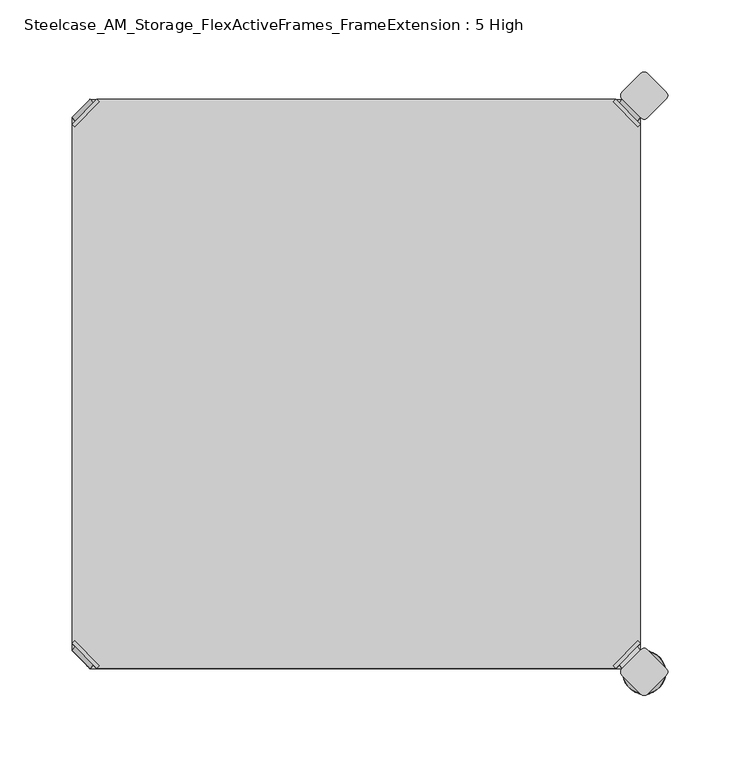
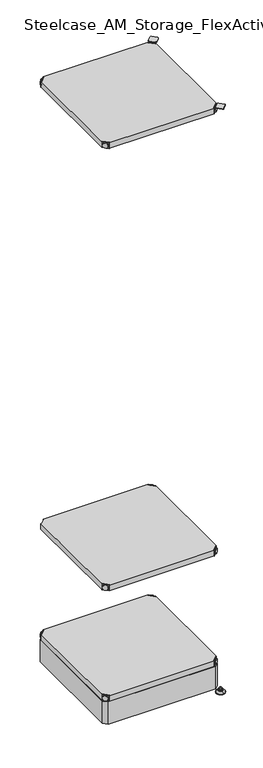
"""IFC4 building model written with IfcOpenShell, lengths in millimetres: furniture geometry, Steelcase_AM_Storage_FlexActiveFrames_FrameExtension : 5 High."""

from ifc_helpers import new_model, si_unit, point, frame, frame_2d, origin, place, context, project, spatial, polyline, circle_curve, ellipse_curve, trimmed, segment, composite_curve, outline, extrude, source, transform, mapped, element, save
from ifc_brep_helpers import plane_surface, cylinder_surface, revolved_surface, advanced_brep


def steelcase_am_storage_flexactiveframes_frameextension_5_high_13562759(model_context):
    return source(origin(), model_context, "Body", "SolidModel", [
        advanced_brep(
        [(397.51, 380.2870969, 520.2936), (380.2870969, 397.51, 520.2936), (378.4910456, 395.7139488, 520.2936), (395.7139488, 378.4910456, 520.2936), (397.51, 380.2870969, 498.9576), (380.2870969, 397.51, 498.9576), (395.1847277, 382.6123691, 510.1336), (382.6123691, 395.1847277, 510.1336), (369.7579478, 352.5350447, 499.9736), (395.7139488, 378.4910456, 499.9736), (378.4910456, 395.7139488, 499.9736), (352.5350447, 369.7579478, 499.9736), (369.7579478, 352.5350447, 498.9576), (352.5350447, 369.7579478, 498.9576), (384.9272487, 397.4996073, 510.1336), (397.4996073, 384.9272487, 510.1336)],
        [
            (0, 1),
            (1, 2),
            (2, 3),
            (3, 0),
            (0, 4),
            (4, 5),
            (5, 1),
            (6, 7, circle_curve(frame((388.8985484, 388.8985484, 510.1336), z_axis=(-0.7071067811865446, -0.7071067811865505, 0.0), x_axis=(0.7071067811865505, -0.7071067811865446, 0.0)), 8.89)),
            (7, 6, circle_curve(frame((388.8985484, 388.8985484, 510.1336), z_axis=(-0.7071067811865446, -0.7071067811865505, 0.0), x_axis=(0.7071067811865505, -0.7071067811865446, 0.0)), 8.89)),
            (8, 9),
            (9, 10),
            (10, 11),
            (11, 8, circle_curve(frame((361.1464963, 361.1464963, 499.9736), z_axis=(0.0, 0.0, 1.0), x_axis=(-1.0, 0.0, 0.0)), 12.1784316)),
            (12, 13, circle_curve(frame((361.1464963, 361.1464963, 498.9576), z_axis=(0.0, 0.0, -1.0), x_axis=(-1.0, 0.0, 0.0)), 12.1784316)),
            (13, 5),
            (4, 12),
            (14, 15, circle_curve(frame((391.213428, 391.213428, 510.1336), z_axis=(0.7071067811865446, 0.7071067811865505, 0.0), x_axis=(0.7071067811865505, -0.7071067811865446, 0.0)), 8.89)),
            (15, 14, circle_curve(frame((391.213428, 391.213428, 510.1336), z_axis=(0.7071067811865446, 0.7071067811865505, 0.0), x_axis=(0.7071067811865505, -0.7071067811865446, 0.0)), 8.89)),
            (15, 6),
            (7, 14),
            (2, 10),
            (9, 3),
            (11, 13),
            (12, 8),
        ],
        [
            plane_surface(frame((419.7079872, 402.485084, 520.2936), z_axis=(0.0, 0.0, 1.0000000000000002), x_axis=(-0.7071067811865436, -0.7071067811865516, 0.0))),
            plane_surface(frame((380.2870969, 397.51, 520.2936), z_axis=(0.7071067811865447, 0.7071067811865503, 0.0), x_axis=(0.0, 0.0, -1.0))),
            plane_surface(frame((348.9680647, 361.1464963, 499.9736), z_axis=(0.0, 0.0, 1.0), x_axis=(0.0, 1.0, 0.0))),
            plane_surface(frame((348.9680647, 361.1464963, 498.9576), z_axis=(0.0, 0.0, -1.0), x_axis=(0.0, -1.0, 0.0))),
            plane_surface(frame((397.4996073, 384.9272487, 510.1336), z_axis=(0.7071067811865446, 0.7071067811865505, 0.0), x_axis=(0.0, 0.0, 1.0))),
            cylinder_surface(frame((388.8985484, 388.8985484, 510.1336), z_axis=(0.7071067811865446, 0.7071067811865505, 0.0), x_axis=(0.7071067811865505, -0.7071067811865446, 0.0)), 8.89),
            plane_surface(frame((395.7139488, 378.4910456, 520.2936), z_axis=(-0.7071067811865447, -0.7071067811865503, 0.0), x_axis=(0.0, 0.0, -1.0))),
            cylinder_surface(frame((361.1464963, 361.1464963, 498.9576), z_axis=(0.0, 0.0, 1.0), x_axis=(-1.0, 0.0, 0.0)), 12.1784316),
            plane_surface(frame((397.51, 380.2870969, 520.2936), z_axis=(0.7071067811865516, -0.7071067811865436, 0.0), x_axis=(0.0, 0.0, -1.0))),
            plane_surface(frame((378.4910456, 395.7139488, 520.2936), z_axis=(-0.7071067811865513, 0.7071067811865437, 0.0), x_axis=(0.0, 0.0, -1.0))),
        ],
        [
            (0, [[1, 2, 3, 4]]),
            (1, [[5, 6, 7, -1], [8, 9]]),
            (2, [[10, 11, 12, 13]]),
            (3, [[14, 15, -6, 16]]),
            (4, [[17, 18]]),
            (5, [[19, -9, 20, -18]]),
            (5, [[-20, -8, -19, -17]]),
            (6, [[21, -11, 22, -3]]),
            (7, [[23, -14, 24, -13]]),
            (8, [[-22, -10, -24, -16, -5, -4]]),
            (9, [[-7, -15, -23, -12, -21, -2]]),
        ],
    ),
        advanced_brep(
        [(397.51, 19.7629031, 520.2936), (395.7139488, 21.5589544, 520.2936), (378.4910456, 4.3360512, 520.2936), (380.2870969, 2.54, 520.2936), (380.2870969, 2.54, 498.9576), (397.51, 19.7629031, 498.9576), (395.1847277, 17.4376309, 510.1336), (382.6123691, 4.8652723, 510.1336), (369.7579478, 47.5149553, 499.9736), (352.5350447, 30.2920522, 499.9736), (378.4910456, 4.3360512, 499.9736), (395.7139488, 21.5589544, 499.9736), (369.7579478, 47.5149553, 498.9576), (352.5350447, 30.2920522, 498.9576), (384.9272487, 2.5503927, 510.1336), (397.4996073, 15.1227513, 510.1336)],
        [
            (0, 1),
            (1, 2),
            (2, 3),
            (3, 0),
            (3, 4),
            (4, 5),
            (5, 0),
            (6, 7, circle_curve(frame((388.8985484, 11.1514516, 510.1336), z_axis=(-0.7071067811865469, 0.7071067811865481, 0.0), x_axis=(0.7071067811865481, 0.7071067811865469, 0.0)), 8.89)),
            (7, 6, circle_curve(frame((388.8985484, 11.1514516, 510.1336), z_axis=(-0.7071067811865469, 0.7071067811865481, 0.0), x_axis=(0.7071067811865481, 0.7071067811865469, 0.0)), 8.89)),
            (8, 9, circle_curve(frame((361.1464963, 38.9035037, 499.9736), z_axis=(0.0, 0.0, 1.0), x_axis=(-1.0, 0.0, 0.0)), 12.1784316)),
            (9, 10),
            (10, 11),
            (11, 8),
            (12, 5),
            (4, 13),
            (13, 12, circle_curve(frame((361.1464963, 38.9035037, 498.9576), z_axis=(0.0, 0.0, -1.0), x_axis=(-1.0, 0.0, 0.0)), 12.1784316)),
            (14, 15, circle_curve(frame((391.213428, 8.836572, 510.1336), z_axis=(0.7071067811865469, -0.7071067811865481, 0.0), x_axis=(0.7071067811865481, 0.7071067811865469, 0.0)), 8.89)),
            (15, 14, circle_curve(frame((391.213428, 8.836572, 510.1336), z_axis=(0.7071067811865469, -0.7071067811865481, 0.0), x_axis=(0.7071067811865481, 0.7071067811865469, 0.0)), 8.89)),
            (14, 7),
            (6, 15),
            (1, 11),
            (10, 2),
            (8, 12),
            (13, 9),
        ],
        [
            plane_surface(frame((419.7079872, -2.435084, 520.2936), z_axis=(0.0, 0.0, 1.0000000000000002), x_axis=(-0.7071067811865459, 0.7071067811865492, 0.0))),
            plane_surface(frame((380.2870969, 2.54, 520.2936), z_axis=(0.707106781186547, -0.707106781186548, 0.0), x_axis=(0.0, 0.0, -1.0))),
            plane_surface(frame((348.9680647, 38.9035037, 499.9736), z_axis=(0.0, 0.0, 1.0), x_axis=(0.0, -1.0, 0.0))),
            plane_surface(frame((348.9680647, 38.9035037, 498.9576), z_axis=(0.0, 0.0, -1.0), x_axis=(0.0, 1.0, 0.0))),
            plane_surface(frame((397.4996073, 15.1227513, 510.1336), z_axis=(0.7071067811865469, -0.7071067811865481, 0.0), x_axis=(0.0, 0.0, 1.0))),
            cylinder_surface(frame((388.8985484, 11.1514516, 510.1336), z_axis=(0.7071067811865469, -0.7071067811865481, 0.0), x_axis=(0.7071067811865481, 0.7071067811865469, 0.0)), 8.89),
            plane_surface(frame((395.7139488, 21.5589544, 520.2936), z_axis=(-0.707106781186547, 0.707106781186548, 0.0), x_axis=(0.0, 0.0, -1.0))),
            cylinder_surface(frame((361.1464963, 38.9035037, 498.9576), z_axis=(0.0, 0.0, 1.0), x_axis=(-1.0, 0.0, 0.0)), 12.1784316),
            plane_surface(frame((397.51, 19.7629031, 520.2936), z_axis=(0.7071067811865492, 0.7071067811865459, 0.0), x_axis=(0.0, 0.0, -1.0))),
            plane_surface(frame((378.4910456, 4.3360512, 520.2936), z_axis=(-0.707106781186549, -0.707106781186546, 0.0), x_axis=(0.0, 0.0, -1.0))),
        ],
        [
            (0, [[1, 2, 3, 4]]),
            (1, [[-4, 5, 6, 7], [8, 9]]),
            (2, [[10, 11, 12, 13]]),
            (3, [[14, -6, 15, 16]]),
            (4, [[17, 18]]),
            (5, [[-17, 19, -8, 20]]),
            (5, [[-18, -20, -9, -19]]),
            (6, [[-2, 21, -12, 22]]),
            (7, [[-10, 23, -16, 24]]),
            (8, [[-1, -7, -14, -23, -13, -21]]),
            (9, [[-3, -22, -11, -24, -15, -5]]),
        ],
    ),
        advanced_brep(
        [(2.54, 19.7629031, 520.2936), (19.7629031, 2.54, 520.2936), (21.5589544, 4.3360512, 520.2936), (4.3360512, 21.5589544, 520.2936), (2.54, 19.7629031, 498.9576), (19.7629031, 2.54, 498.9576), (4.8652723, 17.4376309, 510.1336), (17.4376309, 4.8652723, 510.1336), (30.2920522, 47.5149553, 499.9736), (4.3360512, 21.5589544, 499.9736), (21.5589544, 4.3360512, 499.9736), (47.5149553, 30.2920522, 499.9736), (30.2920522, 47.5149553, 498.9576), (47.5149553, 30.2920522, 498.9576), (15.1227513, 2.5503927, 510.1336), (2.5503927, 15.1227513, 510.1336)],
        [
            (0, 1),
            (1, 2),
            (2, 3),
            (3, 0),
            (0, 4),
            (4, 5),
            (5, 1),
            (6, 7, circle_curve(frame((11.1514516, 11.1514516, 510.1336), z_axis=(0.7071067811865469, 0.7071067811865481, 0.0), x_axis=(-0.7071067811865481, 0.7071067811865469, 0.0)), 8.89)),
            (7, 6, circle_curve(frame((11.1514516, 11.1514516, 510.1336), z_axis=(0.7071067811865469, 0.7071067811865481, 0.0), x_axis=(-0.7071067811865481, 0.7071067811865469, 0.0)), 8.89)),
            (8, 9),
            (9, 10),
            (10, 11),
            (11, 8, circle_curve(frame((38.9035037, 38.9035037, 499.9736), z_axis=(0.0, 0.0, 1.0), x_axis=(1.0, 0.0, 0.0)), 12.1784316)),
            (12, 13, circle_curve(frame((38.9035037, 38.9035037, 498.9576), z_axis=(0.0, 0.0, -1.0), x_axis=(1.0, 0.0, 0.0)), 12.1784316)),
            (13, 5),
            (4, 12),
            (14, 15, circle_curve(frame((8.836572, 8.836572, 510.1336), z_axis=(-0.7071067811865469, -0.7071067811865481, 0.0), x_axis=(-0.7071067811865481, 0.7071067811865469, 0.0)), 8.89)),
            (15, 14, circle_curve(frame((8.836572, 8.836572, 510.1336), z_axis=(-0.7071067811865469, -0.7071067811865481, 0.0), x_axis=(-0.7071067811865481, 0.7071067811865469, 0.0)), 8.89)),
            (15, 6),
            (7, 14),
            (2, 10),
            (9, 3),
            (11, 13),
            (12, 8),
        ],
        [
            plane_surface(frame((-19.6579872, -2.435084, 520.2936), z_axis=(0.0, 0.0, 1.0000000000000002), x_axis=(0.7071067811865459, 0.7071067811865492, 0.0))),
            plane_surface(frame((19.7629031, 2.54, 520.2936), z_axis=(-0.707106781186547, -0.707106781186548, 0.0), x_axis=(0.0, 0.0, -1.0))),
            plane_surface(frame((51.0819353, 38.9035037, 499.9736), z_axis=(0.0, 0.0, 1.0), x_axis=(0.0, -1.0, 0.0))),
            plane_surface(frame((51.0819353, 38.9035037, 498.9576), z_axis=(0.0, 0.0, -1.0), x_axis=(0.0, 1.0, 0.0))),
            plane_surface(frame((2.5503927, 15.1227513, 510.1336), z_axis=(-0.7071067811865469, -0.7071067811865481, 0.0), x_axis=(0.0, 0.0, 1.0))),
            cylinder_surface(frame((11.1514516, 11.1514516, 510.1336), z_axis=(-0.7071067811865469, -0.7071067811865481, 0.0), x_axis=(-0.7071067811865481, 0.7071067811865469, 0.0)), 8.89),
            plane_surface(frame((4.3360512, 21.5589544, 520.2936), z_axis=(0.707106781186547, 0.707106781186548, 0.0), x_axis=(0.0, 0.0, -1.0))),
            cylinder_surface(frame((38.9035037, 38.9035037, 498.9576), z_axis=(0.0, 0.0, 1.0), x_axis=(1.0, 0.0, 0.0)), 12.1784316),
            plane_surface(frame((2.54, 19.7629031, 520.2936), z_axis=(-0.7071067811865492, 0.7071067811865459, 0.0), x_axis=(0.0, 0.0, -1.0))),
            plane_surface(frame((21.5589544, 4.3360512, 520.2936), z_axis=(0.707106781186549, -0.707106781186546, 0.0), x_axis=(0.0, 0.0, -1.0))),
        ],
        [
            (0, [[1, 2, 3, 4]]),
            (1, [[5, 6, 7, -1], [8, 9]]),
            (2, [[10, 11, 12, 13]]),
            (3, [[14, 15, -6, 16]]),
            (4, [[17, 18]]),
            (5, [[19, -9, 20, -18]]),
            (5, [[-20, -8, -19, -17]]),
            (6, [[21, -11, 22, -3]]),
            (7, [[23, -14, 24, -13]]),
            (8, [[-22, -10, -24, -16, -5, -4]]),
            (9, [[-7, -15, -23, -12, -21, -2]]),
        ],
    ),
        extrude(outline(polyline([(19.7629031, 2.54), (21.5589544, 4.3360512), (4.3360512, 21.5589544), (2.54, 19.7629031), (2.54, 380.2870969), (4.3360512, 378.4910456), (21.5589544, 395.7139488), (19.7629031, 397.51), (380.2870969, 397.51), (378.4910456, 395.7139488), (395.7139488, 378.4910456), (397.51, 380.2870969), (397.51, 19.7629031), (395.7139488, 21.5589544), (378.4910456, 4.3360512), (380.2870969, 2.54), (19.7629031, 2.54)])), frame((0.0, 0.0, 499.9736), z_axis=(0.0, 0.0, 1.0), x_axis=(1.0, 0.0, 0.0)), (0.0, 0.0, 1.0), 20.32),
        advanced_brep(
        [(2.54, 380.2870969, 2127.25), (4.3360512, 378.4910456, 2127.25), (21.5589544, 395.7139488, 2127.25), (19.7629031, 397.51, 2127.25), (19.7629031, 397.51, 2105.914), (2.54, 380.2870969, 2105.914), (4.8652723, 382.6123691, 2117.09), (17.4376309, 395.1847277, 2117.09), (30.2920522, 352.5350447, 2106.93), (47.5149553, 369.7579478, 2106.93), (21.5589544, 395.7139488, 2106.93), (4.3360512, 378.4910456, 2106.93), (30.2920522, 352.5350447, 2105.914), (47.5149553, 369.7579478, 2105.914), (15.1227513, 397.4996073, 2117.09), (2.5503927, 384.9272487, 2117.09)],
        [
            (0, 1),
            (1, 2),
            (2, 3),
            (3, 0),
            (3, 4),
            (4, 5),
            (5, 0),
            (6, 7, circle_curve(frame((11.1514516, 388.8985484, 2117.09), z_axis=(0.7071067811865446, -0.7071067811865505, 0.0), x_axis=(-0.7071067811865505, -0.7071067811865446, 0.0)), 8.89)),
            (7, 6, circle_curve(frame((11.1514516, 388.8985484, 2117.09), z_axis=(0.7071067811865446, -0.7071067811865505, 0.0), x_axis=(-0.7071067811865505, -0.7071067811865446, 0.0)), 8.89)),
            (8, 9, circle_curve(frame((38.9035037, 361.1464963, 2106.93), z_axis=(0.0, 0.0, 1.0), x_axis=(1.0, 0.0, 0.0)), 12.1784316)),
            (9, 10),
            (10, 11),
            (11, 8),
            (12, 5),
            (4, 13),
            (13, 12, circle_curve(frame((38.9035037, 361.1464963, 2105.914), z_axis=(0.0, 0.0, -1.0), x_axis=(1.0, 0.0, 0.0)), 12.1784316)),
            (14, 15, circle_curve(frame((8.836572, 391.213428, 2117.09), z_axis=(-0.7071067811865446, 0.7071067811865505, 0.0), x_axis=(-0.7071067811865505, -0.7071067811865446, 0.0)), 8.89)),
            (15, 14, circle_curve(frame((8.836572, 391.213428, 2117.09), z_axis=(-0.7071067811865446, 0.7071067811865505, 0.0), x_axis=(-0.7071067811865505, -0.7071067811865446, 0.0)), 8.89)),
            (14, 7),
            (6, 15),
            (1, 11),
            (10, 2),
            (8, 12),
            (13, 9),
        ],
        [
            plane_surface(frame((-19.6579872, 402.485084, 2127.25), z_axis=(0.0, 0.0, 1.0000000000000002), x_axis=(0.7071067811865436, -0.7071067811865516, 0.0))),
            plane_surface(frame((19.7629031, 397.51, 2127.25), z_axis=(-0.7071067811865447, 0.7071067811865503, 0.0), x_axis=(0.0, 0.0, -1.0))),
            plane_surface(frame((51.0819353, 361.1464963, 2106.93), z_axis=(0.0, 0.0, 1.0), x_axis=(0.0, 1.0, 0.0))),
            plane_surface(frame((51.0819353, 361.1464963, 2105.914), z_axis=(0.0, 0.0, -1.0), x_axis=(0.0, -1.0, 0.0))),
            plane_surface(frame((2.5503927, 384.9272487, 2117.09), z_axis=(-0.7071067811865446, 0.7071067811865505, 0.0), x_axis=(0.0, 0.0, 1.0))),
            cylinder_surface(frame((11.1514516, 388.8985484, 2117.09), z_axis=(-0.7071067811865446, 0.7071067811865505, 0.0), x_axis=(-0.7071067811865505, -0.7071067811865446, 0.0)), 8.89),
            plane_surface(frame((4.3360512, 378.4910456, 2127.25), z_axis=(0.7071067811865447, -0.7071067811865503, 0.0), x_axis=(0.0, 0.0, -1.0))),
            cylinder_surface(frame((38.9035037, 361.1464963, 2105.914), z_axis=(0.0, 0.0, 1.0), x_axis=(1.0, 0.0, 0.0)), 12.1784316),
            plane_surface(frame((2.54, 380.2870969, 2127.25), z_axis=(-0.7071067811865516, -0.7071067811865436, 0.0), x_axis=(0.0, 0.0, -1.0))),
            plane_surface(frame((21.5589544, 395.7139488, 2127.25), z_axis=(0.7071067811865513, 0.7071067811865437, 0.0), x_axis=(0.0, 0.0, -1.0))),
        ],
        [
            (0, [[1, 2, 3, 4]]),
            (1, [[-4, 5, 6, 7], [8, 9]]),
            (2, [[10, 11, 12, 13]]),
            (3, [[14, -6, 15, 16]]),
            (4, [[17, 18]]),
            (5, [[-17, 19, -8, 20]]),
            (5, [[-18, -20, -9, -19]]),
            (6, [[-2, 21, -12, 22]]),
            (7, [[-10, 23, -16, 24]]),
            (8, [[-1, -7, -14, -23, -13, -21]]),
            (9, [[-3, -22, -11, -24, -15, -5]]),
        ],
    ),
        advanced_brep(
        [(397.51, 380.2870969, 2127.25), (380.2870969, 397.51, 2127.25), (378.4910456, 395.7139488, 2127.25), (395.7139488, 378.4910456, 2127.25), (397.51, 380.2870969, 2105.914), (380.2870969, 397.51, 2105.914), (395.1847277, 382.6123691, 2117.09), (382.6123691, 395.1847277, 2117.09), (369.7579478, 352.5350447, 2106.93), (395.7139488, 378.4910456, 2106.93), (378.4910456, 395.7139488, 2106.93), (352.5350447, 369.7579478, 2106.93), (369.7579478, 352.5350447, 2105.914), (352.5350447, 369.7579478, 2105.914), (384.9272487, 397.4996073, 2117.09), (397.4996073, 384.9272487, 2117.09)],
        [
            (0, 1),
            (1, 2),
            (2, 3),
            (3, 0),
            (0, 4),
            (4, 5),
            (5, 1),
            (6, 7, circle_curve(frame((388.8985484, 388.8985484, 2117.09), z_axis=(-0.7071067811865446, -0.7071067811865505, 0.0), x_axis=(0.7071067811865505, -0.7071067811865446, 0.0)), 8.89)),
            (7, 6, circle_curve(frame((388.8985484, 388.8985484, 2117.09), z_axis=(-0.7071067811865446, -0.7071067811865505, 0.0), x_axis=(0.7071067811865505, -0.7071067811865446, 0.0)), 8.89)),
            (8, 9),
            (9, 10),
            (10, 11),
            (11, 8, circle_curve(frame((361.1464963, 361.1464963, 2106.93), z_axis=(0.0, 0.0, 1.0), x_axis=(-1.0, 0.0, 0.0)), 12.1784316)),
            (12, 13, circle_curve(frame((361.1464963, 361.1464963, 2105.914), z_axis=(0.0, 0.0, -1.0), x_axis=(-1.0, 0.0, 0.0)), 12.1784316)),
            (13, 5),
            (4, 12),
            (14, 15, circle_curve(frame((391.213428, 391.213428, 2117.09), z_axis=(0.7071067811865446, 0.7071067811865505, 0.0), x_axis=(0.7071067811865505, -0.7071067811865446, 0.0)), 8.89)),
            (15, 14, circle_curve(frame((391.213428, 391.213428, 2117.09), z_axis=(0.7071067811865446, 0.7071067811865505, 0.0), x_axis=(0.7071067811865505, -0.7071067811865446, 0.0)), 8.89)),
            (15, 6),
            (7, 14),
            (2, 10),
            (9, 3),
            (11, 13),
            (12, 8),
        ],
        [
            plane_surface(frame((419.7079872, 402.485084, 2127.25), z_axis=(0.0, 0.0, 1.0000000000000002), x_axis=(-0.7071067811865436, -0.7071067811865516, 0.0))),
            plane_surface(frame((380.2870969, 397.51, 2127.25), z_axis=(0.7071067811865447, 0.7071067811865503, 0.0), x_axis=(0.0, 0.0, -1.0))),
            plane_surface(frame((348.9680647, 361.1464963, 2106.93), z_axis=(0.0, 0.0, 1.0), x_axis=(0.0, 1.0, 0.0))),
            plane_surface(frame((348.9680647, 361.1464963, 2105.914), z_axis=(0.0, 0.0, -1.0), x_axis=(0.0, -1.0, 0.0))),
            plane_surface(frame((397.4996073, 384.9272487, 2117.09), z_axis=(0.7071067811865446, 0.7071067811865505, 0.0), x_axis=(0.0, 0.0, 1.0))),
            cylinder_surface(frame((388.8985484, 388.8985484, 2117.09), z_axis=(0.7071067811865446, 0.7071067811865505, 0.0), x_axis=(0.7071067811865505, -0.7071067811865446, 0.0)), 8.89),
            plane_surface(frame((395.7139488, 378.4910456, 2127.25), z_axis=(-0.7071067811865447, -0.7071067811865503, 0.0), x_axis=(0.0, 0.0, -1.0))),
            cylinder_surface(frame((361.1464963, 361.1464963, 2105.914), z_axis=(0.0, 0.0, 1.0), x_axis=(-1.0, 0.0, 0.0)), 12.1784316),
            plane_surface(frame((397.51, 380.2870969, 2127.25), z_axis=(0.7071067811865516, -0.7071067811865436, 0.0), x_axis=(0.0, 0.0, -1.0))),
            plane_surface(frame((378.4910456, 395.7139488, 2127.25), z_axis=(-0.7071067811865513, 0.7071067811865437, 0.0), x_axis=(0.0, 0.0, -1.0))),
        ],
        [
            (0, [[1, 2, 3, 4]]),
            (1, [[5, 6, 7, -1], [8, 9]]),
            (2, [[10, 11, 12, 13]]),
            (3, [[14, 15, -6, 16]]),
            (4, [[17, 18]]),
            (5, [[19, -9, 20, -18]]),
            (5, [[-20, -8, -19, -17]]),
            (6, [[21, -11, 22, -3]]),
            (7, [[23, -14, 24, -13]]),
            (8, [[-22, -10, -24, -16, -5, -4]]),
            (9, [[-7, -15, -23, -12, -21, -2]]),
        ],
    ),
        advanced_brep(
        [(397.51, 19.7629031, 2127.25), (395.7139488, 21.5589544, 2127.25), (378.4910456, 4.3360512, 2127.25), (380.2870969, 2.54, 2127.25), (380.2870969, 2.54, 2105.914), (397.51, 19.7629031, 2105.914), (395.1847277, 17.4376309, 2117.09), (382.6123691, 4.8652723, 2117.09), (369.7579478, 47.5149553, 2106.93), (352.5350447, 30.2920522, 2106.93), (378.4910456, 4.3360512, 2106.93), (395.7139488, 21.5589544, 2106.93), (369.7579478, 47.5149553, 2105.914), (352.5350447, 30.2920522, 2105.914), (384.9272487, 2.5503927, 2117.09), (397.4996073, 15.1227513, 2117.09)],
        [
            (0, 1),
            (1, 2),
            (2, 3),
            (3, 0),
            (3, 4),
            (4, 5),
            (5, 0),
            (6, 7, circle_curve(frame((388.8985484, 11.1514516, 2117.09), z_axis=(-0.7071067811865469, 0.7071067811865481, 0.0), x_axis=(0.7071067811865481, 0.7071067811865469, 0.0)), 8.89)),
            (7, 6, circle_curve(frame((388.8985484, 11.1514516, 2117.09), z_axis=(-0.7071067811865469, 0.7071067811865481, 0.0), x_axis=(0.7071067811865481, 0.7071067811865469, 0.0)), 8.89)),
            (8, 9, circle_curve(frame((361.1464963, 38.9035037, 2106.93), z_axis=(0.0, 0.0, 1.0), x_axis=(-1.0, 0.0, 0.0)), 12.1784316)),
            (9, 10),
            (10, 11),
            (11, 8),
            (12, 5),
            (4, 13),
            (13, 12, circle_curve(frame((361.1464963, 38.9035037, 2105.914), z_axis=(0.0, 0.0, -1.0), x_axis=(-1.0, 0.0, 0.0)), 12.1784316)),
            (14, 15, circle_curve(frame((391.213428, 8.836572, 2117.09), z_axis=(0.7071067811865469, -0.7071067811865481, 0.0), x_axis=(0.7071067811865481, 0.7071067811865469, 0.0)), 8.89)),
            (15, 14, circle_curve(frame((391.213428, 8.836572, 2117.09), z_axis=(0.7071067811865469, -0.7071067811865481, 0.0), x_axis=(0.7071067811865481, 0.7071067811865469, 0.0)), 8.89)),
            (14, 7),
            (6, 15),
            (1, 11),
            (10, 2),
            (8, 12),
            (13, 9),
        ],
        [
            plane_surface(frame((419.7079872, -2.435084, 2127.25), z_axis=(0.0, 0.0, 1.0000000000000002), x_axis=(-0.7071067811865459, 0.7071067811865492, 0.0))),
            plane_surface(frame((380.2870969, 2.54, 2127.25), z_axis=(0.707106781186547, -0.707106781186548, 0.0), x_axis=(0.0, 0.0, -1.0))),
            plane_surface(frame((348.9680647, 38.9035037, 2106.93), z_axis=(0.0, 0.0, 1.0), x_axis=(0.0, -1.0, 0.0))),
            plane_surface(frame((348.9680647, 38.9035037, 2105.914), z_axis=(0.0, 0.0, -1.0), x_axis=(0.0, 1.0, 0.0))),
            plane_surface(frame((397.4996073, 15.1227513, 2117.09), z_axis=(0.7071067811865469, -0.7071067811865481, 0.0), x_axis=(0.0, 0.0, 1.0))),
            cylinder_surface(frame((388.8985484, 11.1514516, 2117.09), z_axis=(0.7071067811865469, -0.7071067811865481, 0.0), x_axis=(0.7071067811865481, 0.7071067811865469, 0.0)), 8.89),
            plane_surface(frame((395.7139488, 21.5589544, 2127.25), z_axis=(-0.707106781186547, 0.707106781186548, 0.0), x_axis=(0.0, 0.0, -1.0))),
            cylinder_surface(frame((361.1464963, 38.9035037, 2105.914), z_axis=(0.0, 0.0, 1.0), x_axis=(-1.0, 0.0, 0.0)), 12.1784316),
            plane_surface(frame((397.51, 19.7629031, 2127.25), z_axis=(0.7071067811865492, 0.7071067811865459, 0.0), x_axis=(0.0, 0.0, -1.0))),
            plane_surface(frame((378.4910456, 4.3360512, 2127.25), z_axis=(-0.707106781186549, -0.707106781186546, 0.0), x_axis=(0.0, 0.0, -1.0))),
        ],
        [
            (0, [[1, 2, 3, 4]]),
            (1, [[-4, 5, 6, 7], [8, 9]]),
            (2, [[10, 11, 12, 13]]),
            (3, [[14, -6, 15, 16]]),
            (4, [[17, 18]]),
            (5, [[-17, 19, -8, 20]]),
            (5, [[-18, -20, -9, -19]]),
            (6, [[-2, 21, -12, 22]]),
            (7, [[-10, 23, -16, 24]]),
            (8, [[-1, -7, -14, -23, -13, -21]]),
            (9, [[-3, -22, -11, -24, -15, -5]]),
        ],
    ),
        advanced_brep(
        [(2.54, 19.7629031, 2127.25), (19.7629031, 2.54, 2127.25), (21.5589544, 4.3360512, 2127.25), (4.3360512, 21.5589544, 2127.25), (2.54, 19.7629031, 2105.914), (19.7629031, 2.54, 2105.914), (4.8652723, 17.4376309, 2117.09), (17.4376309, 4.8652723, 2117.09), (30.2920522, 47.5149553, 2106.93), (4.3360512, 21.5589544, 2106.93), (21.5589544, 4.3360512, 2106.93), (47.5149553, 30.2920522, 2106.93), (30.2920522, 47.5149553, 2105.914), (47.5149553, 30.2920522, 2105.914), (15.1227513, 2.5503927, 2117.09), (2.5503927, 15.1227513, 2117.09)],
        [
            (0, 1),
            (1, 2),
            (2, 3),
            (3, 0),
            (0, 4),
            (4, 5),
            (5, 1),
            (6, 7, circle_curve(frame((11.1514516, 11.1514516, 2117.09), z_axis=(0.7071067811865469, 0.7071067811865481, 0.0), x_axis=(-0.7071067811865481, 0.7071067811865469, 0.0)), 8.89)),
            (7, 6, circle_curve(frame((11.1514516, 11.1514516, 2117.09), z_axis=(0.7071067811865469, 0.7071067811865481, 0.0), x_axis=(-0.7071067811865481, 0.7071067811865469, 0.0)), 8.89)),
            (8, 9),
            (9, 10),
            (10, 11),
            (11, 8, circle_curve(frame((38.9035037, 38.9035037, 2106.93), z_axis=(0.0, 0.0, 1.0), x_axis=(1.0, 0.0, 0.0)), 12.1784316)),
            (12, 13, circle_curve(frame((38.9035037, 38.9035037, 2105.914), z_axis=(0.0, 0.0, -1.0), x_axis=(1.0, 0.0, 0.0)), 12.1784316)),
            (13, 5),
            (4, 12),
            (14, 15, circle_curve(frame((8.836572, 8.836572, 2117.09), z_axis=(-0.7071067811865469, -0.7071067811865481, 0.0), x_axis=(-0.7071067811865481, 0.7071067811865469, 0.0)), 8.89)),
            (15, 14, circle_curve(frame((8.836572, 8.836572, 2117.09), z_axis=(-0.7071067811865469, -0.7071067811865481, 0.0), x_axis=(-0.7071067811865481, 0.7071067811865469, 0.0)), 8.89)),
            (15, 6),
            (7, 14),
            (2, 10),
            (9, 3),
            (11, 13),
            (12, 8),
        ],
        [
            plane_surface(frame((-19.6579872, -2.435084, 2127.25), z_axis=(0.0, 0.0, 1.0000000000000002), x_axis=(0.7071067811865459, 0.7071067811865492, 0.0))),
            plane_surface(frame((19.7629031, 2.54, 2127.25), z_axis=(-0.707106781186547, -0.707106781186548, 0.0), x_axis=(0.0, 0.0, -1.0))),
            plane_surface(frame((51.0819353, 38.9035037, 2106.93), z_axis=(0.0, 0.0, 1.0), x_axis=(0.0, -1.0, 0.0))),
            plane_surface(frame((51.0819353, 38.9035037, 2105.914), z_axis=(0.0, 0.0, -1.0), x_axis=(0.0, 1.0, 0.0))),
            plane_surface(frame((2.5503927, 15.1227513, 2117.09), z_axis=(-0.7071067811865469, -0.7071067811865481, 0.0), x_axis=(0.0, 0.0, 1.0))),
            cylinder_surface(frame((11.1514516, 11.1514516, 2117.09), z_axis=(-0.7071067811865469, -0.7071067811865481, 0.0), x_axis=(-0.7071067811865481, 0.7071067811865469, 0.0)), 8.89),
            plane_surface(frame((4.3360512, 21.5589544, 2127.25), z_axis=(0.707106781186547, 0.707106781186548, 0.0), x_axis=(0.0, 0.0, -1.0))),
            cylinder_surface(frame((38.9035037, 38.9035037, 2105.914), z_axis=(0.0, 0.0, 1.0), x_axis=(1.0, 0.0, 0.0)), 12.1784316),
            plane_surface(frame((2.54, 19.7629031, 2127.25), z_axis=(-0.7071067811865492, 0.7071067811865459, 0.0), x_axis=(0.0, 0.0, -1.0))),
            plane_surface(frame((21.5589544, 4.3360512, 2127.25), z_axis=(0.707106781186549, -0.707106781186546, 0.0), x_axis=(0.0, 0.0, -1.0))),
        ],
        [
            (0, [[1, 2, 3, 4]]),
            (1, [[5, 6, 7, -1], [8, 9]]),
            (2, [[10, 11, 12, 13]]),
            (3, [[14, 15, -6, 16]]),
            (4, [[17, 18]]),
            (5, [[19, -9, 20, -18]]),
            (5, [[-20, -8, -19, -17]]),
            (6, [[21, -11, 22, -3]]),
            (7, [[23, -14, 24, -13]]),
            (8, [[-22, -10, -24, -16, -5, -4]]),
            (9, [[-7, -15, -23, -12, -21, -2]]),
        ],
    ),
        extrude(outline(polyline([(19.7629031, 2.54), (21.5589544, 4.3360512), (4.3360512, 21.5589544), (2.54, 19.7629031), (2.54, 380.2870969), (4.3360512, 378.4910456), (21.5589544, 395.7139488), (19.7629031, 397.51), (380.2870969, 397.51), (378.4910456, 395.7139488), (395.7139488, 378.4910456), (397.51, 380.2870969), (397.51, 19.7629031), (395.7139488, 21.5589544), (378.4910456, 4.3360512), (380.2870969, 2.54), (19.7629031, 2.54)])), frame((0.0, 0.0, 2106.93), z_axis=(0.0, 0.0, 1.0), x_axis=(1.0, 0.0, 0.0)), (0.0, 0.0, 1.0), 20.32),
        advanced_brep(
        [(2.54, 380.2870969, 118.9736), (4.3360512, 378.4910456, 118.9736), (21.5589544, 395.7139488, 118.9736), (19.7629031, 397.51, 118.9736), (19.7629031, 397.51, 97.6376), (2.54, 380.2870969, 97.6376), (4.8652723, 382.6123691, 108.8136), (17.4376309, 395.1847277, 108.8136), (30.2920522, 352.5350447, 98.6536), (47.5149553, 369.7579478, 98.6536), (21.5589544, 395.7139488, 98.6536), (4.3360512, 378.4910456, 98.6536), (30.2920522, 352.5350447, 97.6376), (47.5149553, 369.7579478, 97.6376), (15.1227513, 397.4996073, 108.8136), (2.5503927, 384.9272487, 108.8136)],
        [
            (0, 1),
            (1, 2),
            (2, 3),
            (3, 0),
            (3, 4),
            (4, 5),
            (5, 0),
            (6, 7, circle_curve(frame((11.1514516, 388.8985484, 108.8136), z_axis=(0.7071067811865446, -0.7071067811865505, 0.0), x_axis=(-0.7071067811865505, -0.7071067811865446, 0.0)), 8.89)),
            (7, 6, circle_curve(frame((11.1514516, 388.8985484, 108.8136), z_axis=(0.7071067811865446, -0.7071067811865505, 0.0), x_axis=(-0.7071067811865505, -0.7071067811865446, 0.0)), 8.89)),
            (8, 9, circle_curve(frame((38.9035037, 361.1464963, 98.6536), z_axis=(0.0, 0.0, 1.0), x_axis=(1.0, 0.0, 0.0)), 12.1784316)),
            (9, 10),
            (10, 11),
            (11, 8),
            (12, 5),
            (4, 13),
            (13, 12, circle_curve(frame((38.9035037, 361.1464963, 97.6376), z_axis=(0.0, 0.0, -1.0), x_axis=(1.0, 0.0, 0.0)), 12.1784316)),
            (14, 15, circle_curve(frame((8.836572, 391.213428, 108.8136), z_axis=(-0.7071067811865446, 0.7071067811865505, 0.0), x_axis=(-0.7071067811865505, -0.7071067811865446, 0.0)), 8.89)),
            (15, 14, circle_curve(frame((8.836572, 391.213428, 108.8136), z_axis=(-0.7071067811865446, 0.7071067811865505, 0.0), x_axis=(-0.7071067811865505, -0.7071067811865446, 0.0)), 8.89)),
            (14, 7),
            (6, 15),
            (1, 11),
            (10, 2),
            (8, 12),
            (13, 9),
        ],
        [
            plane_surface(frame((-19.6579872, 402.485084, 118.9736), z_axis=(0.0, 0.0, 1.0000000000000002), x_axis=(0.7071067811865436, -0.7071067811865516, 0.0))),
            plane_surface(frame((19.7629031, 397.51, 118.9736), z_axis=(-0.7071067811865447, 0.7071067811865503, 0.0), x_axis=(0.0, 0.0, -1.0))),
            plane_surface(frame((51.0819353, 361.1464963, 98.6536), z_axis=(0.0, 0.0, 1.0), x_axis=(0.0, 1.0, 0.0))),
            plane_surface(frame((51.0819353, 361.1464963, 97.6376), z_axis=(0.0, 0.0, -1.0), x_axis=(0.0, -1.0, 0.0))),
            plane_surface(frame((2.5503927, 384.9272487, 108.8136), z_axis=(-0.7071067811865446, 0.7071067811865505, 0.0), x_axis=(0.0, 0.0, 1.0))),
            cylinder_surface(frame((11.1514516, 388.8985484, 108.8136), z_axis=(-0.7071067811865446, 0.7071067811865505, 0.0), x_axis=(-0.7071067811865505, -0.7071067811865446, 0.0)), 8.89),
            plane_surface(frame((4.3360512, 378.4910456, 118.9736), z_axis=(0.7071067811865447, -0.7071067811865503, 0.0), x_axis=(0.0, 0.0, -1.0))),
            cylinder_surface(frame((38.9035037, 361.1464963, 97.6376), z_axis=(0.0, 0.0, 1.0), x_axis=(1.0, 0.0, 0.0)), 12.1784316),
            plane_surface(frame((2.54, 380.2870969, 118.9736), z_axis=(-0.7071067811865516, -0.7071067811865436, 0.0), x_axis=(0.0, 0.0, -1.0))),
            plane_surface(frame((21.5589544, 395.7139488, 118.9736), z_axis=(0.7071067811865513, 0.7071067811865437, 0.0), x_axis=(0.0, 0.0, -1.0))),
        ],
        [
            (0, [[1, 2, 3, 4]]),
            (1, [[-4, 5, 6, 7], [8, 9]]),
            (2, [[10, 11, 12, 13]]),
            (3, [[14, -6, 15, 16]]),
            (4, [[17, 18]]),
            (5, [[-17, 19, -8, 20]]),
            (5, [[-18, -20, -9, -19]]),
            (6, [[-2, 21, -12, 22]]),
            (7, [[-10, 23, -16, 24]]),
            (8, [[-1, -7, -14, -23, -13, -21]]),
            (9, [[-3, -22, -11, -24, -15, -5]]),
        ],
    ),
        advanced_brep(
        [(397.51, 380.2870969, 118.9736), (380.2870969, 397.51, 118.9736), (378.4910456, 395.7139488, 118.9736), (395.7139488, 378.4910456, 118.9736), (397.51, 380.2870969, 97.6376), (380.2870969, 397.51, 97.6376), (395.1847277, 382.6123691, 108.8136), (382.6123691, 395.1847277, 108.8136), (369.7579478, 352.5350447, 98.6536), (395.7139488, 378.4910456, 98.6536), (378.4910456, 395.7139488, 98.6536), (352.5350447, 369.7579478, 98.6536), (369.7579478, 352.5350447, 97.6376), (352.5350447, 369.7579478, 97.6376), (384.9272487, 397.4996073, 108.8136), (397.4996073, 384.9272487, 108.8136)],
        [
            (0, 1),
            (1, 2),
            (2, 3),
            (3, 0),
            (0, 4),
            (4, 5),
            (5, 1),
            (6, 7, circle_curve(frame((388.8985484, 388.8985484, 108.8136), z_axis=(-0.7071067811865446, -0.7071067811865505, 0.0), x_axis=(0.7071067811865505, -0.7071067811865446, 0.0)), 8.89)),
            (7, 6, circle_curve(frame((388.8985484, 388.8985484, 108.8136), z_axis=(-0.7071067811865446, -0.7071067811865505, 0.0), x_axis=(0.7071067811865505, -0.7071067811865446, 0.0)), 8.89)),
            (8, 9),
            (9, 10),
            (10, 11),
            (11, 8, circle_curve(frame((361.1464963, 361.1464963, 98.6536), z_axis=(0.0, 0.0, 1.0), x_axis=(-1.0, 0.0, 0.0)), 12.1784316)),
            (12, 13, circle_curve(frame((361.1464963, 361.1464963, 97.6376), z_axis=(0.0, 0.0, -1.0), x_axis=(-1.0, 0.0, 0.0)), 12.1784316)),
            (13, 5),
            (4, 12),
            (14, 15, circle_curve(frame((391.213428, 391.213428, 108.8136), z_axis=(0.7071067811865446, 0.7071067811865505, 0.0), x_axis=(0.7071067811865505, -0.7071067811865446, 0.0)), 8.89)),
            (15, 14, circle_curve(frame((391.213428, 391.213428, 108.8136), z_axis=(0.7071067811865446, 0.7071067811865505, 0.0), x_axis=(0.7071067811865505, -0.7071067811865446, 0.0)), 8.89)),
            (15, 6),
            (7, 14),
            (2, 10),
            (9, 3),
            (11, 13),
            (12, 8),
        ],
        [
            plane_surface(frame((419.7079872, 402.485084, 118.9736), z_axis=(0.0, 0.0, 1.0000000000000002), x_axis=(-0.7071067811865436, -0.7071067811865516, 0.0))),
            plane_surface(frame((380.2870969, 397.51, 118.9736), z_axis=(0.7071067811865447, 0.7071067811865503, 0.0), x_axis=(0.0, 0.0, -1.0))),
            plane_surface(frame((348.9680647, 361.1464963, 98.6536), z_axis=(0.0, 0.0, 1.0), x_axis=(0.0, 1.0, 0.0))),
            plane_surface(frame((348.9680647, 361.1464963, 97.6376), z_axis=(0.0, 0.0, -1.0), x_axis=(0.0, -1.0, 0.0))),
            plane_surface(frame((397.4996073, 384.9272487, 108.8136), z_axis=(0.7071067811865446, 0.7071067811865505, 0.0), x_axis=(0.0, 0.0, 1.0))),
            cylinder_surface(frame((388.8985484, 388.8985484, 108.8136), z_axis=(0.7071067811865446, 0.7071067811865505, 0.0), x_axis=(0.7071067811865505, -0.7071067811865446, 0.0)), 8.89),
            plane_surface(frame((395.7139488, 378.4910456, 118.9736), z_axis=(-0.7071067811865447, -0.7071067811865503, 0.0), x_axis=(0.0, 0.0, -1.0))),
            cylinder_surface(frame((361.1464963, 361.1464963, 97.6376), z_axis=(0.0, 0.0, 1.0), x_axis=(-1.0, 0.0, 0.0)), 12.1784316),
            plane_surface(frame((397.51, 380.2870969, 118.9736), z_axis=(0.7071067811865516, -0.7071067811865436, 0.0), x_axis=(0.0, 0.0, -1.0))),
            plane_surface(frame((378.4910456, 395.7139488, 118.9736), z_axis=(-0.7071067811865513, 0.7071067811865437, 0.0), x_axis=(0.0, 0.0, -1.0))),
        ],
        [
            (0, [[1, 2, 3, 4]]),
            (1, [[5, 6, 7, -1], [8, 9]]),
            (2, [[10, 11, 12, 13]]),
            (3, [[14, 15, -6, 16]]),
            (4, [[17, 18]]),
            (5, [[19, -9, 20, -18]]),
            (5, [[-20, -8, -19, -17]]),
            (6, [[21, -11, 22, -3]]),
            (7, [[23, -14, 24, -13]]),
            (8, [[-22, -10, -24, -16, -5, -4]]),
            (9, [[-7, -15, -23, -12, -21, -2]]),
        ],
    ),
        advanced_brep(
        [(397.51, 19.7629031, 118.9736), (395.7139488, 21.5589544, 118.9736), (378.4910456, 4.3360512, 118.9736), (380.2870969, 2.54, 118.9736), (380.2870969, 2.54, 97.6376), (397.51, 19.7629031, 97.6376), (395.1847277, 17.4376309, 108.8136), (382.6123691, 4.8652723, 108.8136), (369.7579478, 47.5149553, 98.6536), (352.5350447, 30.2920522, 98.6536), (378.4910456, 4.3360512, 98.6536), (395.7139488, 21.5589544, 98.6536), (369.7579478, 47.5149553, 97.6376), (352.5350447, 30.2920522, 97.6376), (384.9272487, 2.5503927, 108.8136), (397.4996073, 15.1227513, 108.8136)],
        [
            (0, 1),
            (1, 2),
            (2, 3),
            (3, 0),
            (3, 4),
            (4, 5),
            (5, 0),
            (6, 7, circle_curve(frame((388.8985484, 11.1514516, 108.8136), z_axis=(-0.7071067811865469, 0.7071067811865481, 0.0), x_axis=(0.7071067811865481, 0.7071067811865469, 0.0)), 8.89)),
            (7, 6, circle_curve(frame((388.8985484, 11.1514516, 108.8136), z_axis=(-0.7071067811865469, 0.7071067811865481, 0.0), x_axis=(0.7071067811865481, 0.7071067811865469, 0.0)), 8.89)),
            (8, 9, circle_curve(frame((361.1464963, 38.9035037, 98.6536), z_axis=(0.0, 0.0, 1.0), x_axis=(-1.0, 0.0, 0.0)), 12.1784316)),
            (9, 10),
            (10, 11),
            (11, 8),
            (12, 5),
            (4, 13),
            (13, 12, circle_curve(frame((361.1464963, 38.9035037, 97.6376), z_axis=(0.0, 0.0, -1.0), x_axis=(-1.0, 0.0, 0.0)), 12.1784316)),
            (14, 15, circle_curve(frame((391.213428, 8.836572, 108.8136), z_axis=(0.7071067811865469, -0.7071067811865481, 0.0), x_axis=(0.7071067811865481, 0.7071067811865469, 0.0)), 8.89)),
            (15, 14, circle_curve(frame((391.213428, 8.836572, 108.8136), z_axis=(0.7071067811865469, -0.7071067811865481, 0.0), x_axis=(0.7071067811865481, 0.7071067811865469, 0.0)), 8.89)),
            (14, 7),
            (6, 15),
            (1, 11),
            (10, 2),
            (8, 12),
            (13, 9),
        ],
        [
            plane_surface(frame((419.7079872, -2.435084, 118.9736), z_axis=(0.0, 0.0, 1.0000000000000002), x_axis=(-0.7071067811865459, 0.7071067811865492, 0.0))),
            plane_surface(frame((380.2870969, 2.54, 118.9736), z_axis=(0.707106781186547, -0.707106781186548, 0.0), x_axis=(0.0, 0.0, -1.0))),
            plane_surface(frame((348.9680647, 38.9035037, 98.6536), z_axis=(0.0, 0.0, 1.0), x_axis=(0.0, -1.0, 0.0))),
            plane_surface(frame((348.9680647, 38.9035037, 97.6376), z_axis=(0.0, 0.0, -1.0), x_axis=(0.0, 1.0, 0.0))),
            plane_surface(frame((397.4996073, 15.1227513, 108.8136), z_axis=(0.7071067811865469, -0.7071067811865481, 0.0), x_axis=(0.0, 0.0, 1.0))),
            cylinder_surface(frame((388.8985484, 11.1514516, 108.8136), z_axis=(0.7071067811865469, -0.7071067811865481, 0.0), x_axis=(0.7071067811865481, 0.7071067811865469, 0.0)), 8.89),
            plane_surface(frame((395.7139488, 21.5589544, 118.9736), z_axis=(-0.707106781186547, 0.707106781186548, 0.0), x_axis=(0.0, 0.0, -1.0))),
            cylinder_surface(frame((361.1464963, 38.9035037, 97.6376), z_axis=(0.0, 0.0, 1.0), x_axis=(-1.0, 0.0, 0.0)), 12.1784316),
            plane_surface(frame((397.51, 19.7629031, 118.9736), z_axis=(0.7071067811865492, 0.7071067811865459, 0.0), x_axis=(0.0, 0.0, -1.0))),
            plane_surface(frame((378.4910456, 4.3360512, 118.9736), z_axis=(-0.707106781186549, -0.707106781186546, 0.0), x_axis=(0.0, 0.0, -1.0))),
        ],
        [
            (0, [[1, 2, 3, 4]]),
            (1, [[-4, 5, 6, 7], [8, 9]]),
            (2, [[10, 11, 12, 13]]),
            (3, [[14, -6, 15, 16]]),
            (4, [[17, 18]]),
            (5, [[-17, 19, -8, 20]]),
            (5, [[-18, -20, -9, -19]]),
            (6, [[-2, 21, -12, 22]]),
            (7, [[-10, 23, -16, 24]]),
            (8, [[-1, -7, -14, -23, -13, -21]]),
            (9, [[-3, -22, -11, -24, -15, -5]]),
        ],
    ),
        advanced_brep(
        [(2.54, 19.7629031, 118.9736), (19.7629031, 2.54, 118.9736), (21.5589544, 4.3360512, 118.9736), (4.3360512, 21.5589544, 118.9736), (2.54, 19.7629031, 97.6376), (19.7629031, 2.54, 97.6376), (4.8652723, 17.4376309, 108.8136), (17.4376309, 4.8652723, 108.8136), (30.2920522, 47.5149553, 98.6536), (4.3360512, 21.5589544, 98.6536), (21.5589544, 4.3360512, 98.6536), (47.5149553, 30.2920522, 98.6536), (30.2920522, 47.5149553, 97.6376), (47.5149553, 30.2920522, 97.6376), (15.1227513, 2.5503927, 108.8136), (2.5503927, 15.1227513, 108.8136)],
        [
            (0, 1),
            (1, 2),
            (2, 3),
            (3, 0),
            (0, 4),
            (4, 5),
            (5, 1),
            (6, 7, circle_curve(frame((11.1514516, 11.1514516, 108.8136), z_axis=(0.7071067811865469, 0.7071067811865481, 0.0), x_axis=(-0.7071067811865481, 0.7071067811865469, 0.0)), 8.89)),
            (7, 6, circle_curve(frame((11.1514516, 11.1514516, 108.8136), z_axis=(0.7071067811865469, 0.7071067811865481, 0.0), x_axis=(-0.7071067811865481, 0.7071067811865469, 0.0)), 8.89)),
            (8, 9),
            (9, 10),
            (10, 11),
            (11, 8, circle_curve(frame((38.9035037, 38.9035037, 98.6536), z_axis=(0.0, 0.0, 1.0), x_axis=(1.0, 0.0, 0.0)), 12.1784316)),
            (12, 13, circle_curve(frame((38.9035037, 38.9035037, 97.6376), z_axis=(0.0, 0.0, -1.0), x_axis=(1.0, 0.0, 0.0)), 12.1784316)),
            (13, 5),
            (4, 12),
            (14, 15, circle_curve(frame((8.836572, 8.836572, 108.8136), z_axis=(-0.7071067811865469, -0.7071067811865481, 0.0), x_axis=(-0.7071067811865481, 0.7071067811865469, 0.0)), 8.89)),
            (15, 14, circle_curve(frame((8.836572, 8.836572, 108.8136), z_axis=(-0.7071067811865469, -0.7071067811865481, 0.0), x_axis=(-0.7071067811865481, 0.7071067811865469, 0.0)), 8.89)),
            (15, 6),
            (7, 14),
            (2, 10),
            (9, 3),
            (11, 13),
            (12, 8),
        ],
        [
            plane_surface(frame((-19.6579872, -2.435084, 118.9736), z_axis=(0.0, 0.0, 1.0000000000000002), x_axis=(0.7071067811865459, 0.7071067811865492, 0.0))),
            plane_surface(frame((19.7629031, 2.54, 118.9736), z_axis=(-0.707106781186547, -0.707106781186548, 0.0), x_axis=(0.0, 0.0, -1.0))),
            plane_surface(frame((51.0819353, 38.9035037, 98.6536), z_axis=(0.0, 0.0, 1.0), x_axis=(0.0, -1.0, 0.0))),
            plane_surface(frame((51.0819353, 38.9035037, 97.6376), z_axis=(0.0, 0.0, -1.0), x_axis=(0.0, 1.0, 0.0))),
            plane_surface(frame((2.5503927, 15.1227513, 108.8136), z_axis=(-0.7071067811865469, -0.7071067811865481, 0.0), x_axis=(0.0, 0.0, 1.0))),
            cylinder_surface(frame((11.1514516, 11.1514516, 108.8136), z_axis=(-0.7071067811865469, -0.7071067811865481, 0.0), x_axis=(-0.7071067811865481, 0.7071067811865469, 0.0)), 8.89),
            plane_surface(frame((4.3360512, 21.5589544, 118.9736), z_axis=(0.707106781186547, 0.707106781186548, 0.0), x_axis=(0.0, 0.0, -1.0))),
            cylinder_surface(frame((38.9035037, 38.9035037, 97.6376), z_axis=(0.0, 0.0, 1.0), x_axis=(1.0, 0.0, 0.0)), 12.1784316),
            plane_surface(frame((2.54, 19.7629031, 118.9736), z_axis=(-0.7071067811865492, 0.7071067811865459, 0.0), x_axis=(0.0, 0.0, -1.0))),
            plane_surface(frame((21.5589544, 4.3360512, 118.9736), z_axis=(0.707106781186549, -0.707106781186546, 0.0), x_axis=(0.0, 0.0, -1.0))),
        ],
        [
            (0, [[1, 2, 3, 4]]),
            (1, [[5, 6, 7, -1], [8, 9]]),
            (2, [[10, 11, 12, 13]]),
            (3, [[14, 15, -6, 16]]),
            (4, [[17, 18]]),
            (5, [[19, -9, 20, -18]]),
            (5, [[-20, -8, -19, -17]]),
            (6, [[21, -11, 22, -3]]),
            (7, [[23, -14, 24, -13]]),
            (8, [[-22, -10, -24, -16, -5, -4]]),
            (9, [[-7, -15, -23, -12, -21, -2]]),
        ],
    ),
        extrude(outline(polyline([(19.7629031, 2.54), (21.5589544, 4.3360512), (4.3360512, 21.5589544), (2.54, 19.7629031), (2.54, 380.2870969), (4.3360512, 378.4910456), (21.5589544, 395.7139488), (19.7629031, 397.51), (380.2870969, 397.51), (378.4910456, 395.7139488), (395.7139488, 378.4910456), (397.51, 380.2870969), (397.51, 19.7629031), (395.7139488, 21.5589544), (378.4910456, 4.3360512), (380.2870969, 2.54), (19.7629031, 2.54)])), frame((0.0, 0.0, 98.6536), z_axis=(0.0, 0.0, 1.0), x_axis=(1.0, 0.0, 0.0)), (0.0, 0.0, 1.0), 20.32),
        extrude(outline(composite_curve([segment(polyline([(402.295064, 15.4326055), (415.4826055, 2.245064)]), True, "CONTINUOUS"), segment(trimmed(circle_curve(frame_2d((413.2375415, 0.0)), 3.175), [point((415.4826055, 2.245064))], [point((415.4826055, -2.245064))], False, "CARTESIAN"), True, "CONTINUOUS"), segment(polyline([(415.4826055, -2.245064), (402.295064, -15.4326055)]), True, "CONTINUOUS"), segment(trimmed(circle_curve(frame_2d((400.05, -13.1875415)), 3.175), [point((402.295064, -15.4326055))], [point((397.804936, -15.4326055))], False, "CARTESIAN"), True, "CONTINUOUS"), segment(polyline([(397.804936, -15.4326055), (384.6173945, -2.245064)]), True, "CONTINUOUS"), segment(trimmed(circle_curve(frame_2d((386.8624585, 0.0)), 3.175), [point((384.6173945, -2.245064))], [point((384.6173945, 2.245064))], False, "CARTESIAN"), True, "CONTINUOUS"), segment(polyline([(384.6173945, 2.245064), (397.804936, 15.4326055)]), True, "CONTINUOUS"), segment(trimmed(circle_curve(frame_2d((400.05, 13.1875415)), 3.175), [point((397.804936, 15.4326055))], [point((402.295064, 15.4326055))], False, "CARTESIAN"), True, "CONTINUOUS")], self_intersect=False)), frame((0.0, 0.0, 2127.25), z_axis=(0.0, 0.0, 1.0), x_axis=(1.0, 0.0, 0.0)), (0.0, 0.0, 1.0), 2.032),
        extrude(outline(composite_curve([segment(trimmed(circle_curve(frame_2d((400.05, 386.8624585)), 3.175), [point((402.295064, 384.6173945))], [point((397.804936, 384.6173945))], False, "CARTESIAN"), True, "CONTINUOUS"), segment(polyline([(397.804936, 384.6173945), (384.6173945, 397.804936)]), True, "CONTINUOUS"), segment(trimmed(circle_curve(frame_2d((386.8624585, 400.05)), 3.175), [point((384.6173945, 397.804936))], [point((384.6173945, 402.295064))], False, "CARTESIAN"), True, "CONTINUOUS"), segment(polyline([(384.6173945, 402.295064), (397.804936, 415.4826055)]), True, "CONTINUOUS"), segment(trimmed(circle_curve(frame_2d((400.05, 413.2375415)), 3.175), [point((397.804936, 415.4826055))], [point((402.295064, 415.4826055))], False, "CARTESIAN"), True, "CONTINUOUS"), segment(polyline([(402.295064, 415.4826055), (415.4826055, 402.295064)]), True, "CONTINUOUS"), segment(trimmed(circle_curve(frame_2d((413.2375415, 400.05)), 3.175), [point((415.4826055, 402.295064))], [point((415.4826055, 397.804936))], False, "CARTESIAN"), True, "CONTINUOUS"), segment(polyline([(415.4826055, 397.804936), (402.295064, 384.6173945)]), True, "CONTINUOUS")], self_intersect=False)), frame((0.0, 0.0, 2127.25), z_axis=(0.0, 0.0, 1.0), x_axis=(1.0, 0.0, 0.0)), (0.0, 0.0, 1.0), 2.032),
        extrude(outline(polyline([(2.54, 384.9123305), (15.1376695, 397.51), (384.9123305, 397.51), (397.51, 384.9123305), (397.51, 15.1376695), (384.9123305, 2.54), (15.1376695, 2.54), (2.54, 15.1376695), (2.54, 384.9123305)]), holes=[polyline([(12.7, 15.748), (387.35, 15.748), (387.35, 387.35), (12.7, 387.35), (12.7, 15.748)])]), frame((0.0, 0.0, 15.9766), z_axis=(0.0, 0.0, 1.0), x_axis=(1.0, 0.0, 0.0)), (0.0, 0.0, 1.0), 81.28),
        advanced_brep(
        [(400.05, -3.999659, 15.9766), (400.05, 0.0, 15.9766), (400.05, 3.999659, 15.9766), (400.05, -3.999659, 12.6000054), (400.05, 3.999659, 12.6000054), (400.05, -5.8601455, 12.6000054), (400.05, 5.8601455, 12.6000054), (400.05, -6.4951462, 11.9650074), (400.05, 6.4951462, 11.9650074), (400.05, -6.4951462, 9.0000124), (400.05, 6.4951462, 9.0000124), (400.05, -8.7421976, 9.0000124), (400.05, 8.7421976, 9.0000124), (400.05, -14.7060077, 2.3275608), (400.05, 14.7060077, 2.3275608), (400.05, -13.664601, 0.0), (400.05, 13.664601, 0.0), (400.05, 0.0, 0.0)],
        [
            (0, 1),
            (1, 2),
            (2, 0, circle_curve(frame((400.05, 0.0, 15.9766), z_axis=(0.0, 0.0, 1.0), x_axis=(0.0, 1.0, 0.0)), 3.999659)),
            (0, 2, circle_curve(frame((400.05, 0.0, 15.9766), z_axis=(0.0, 0.0, 1.0), x_axis=(0.0, 1.0, 0.0)), 3.999659)),
            (3, 0),
            (2, 4),
            (4, 3, circle_curve(frame((400.05, 0.0, 12.6000054), z_axis=(0.0, 0.0, 1.0), x_axis=(0.0, 1.0, 0.0)), 3.999659)),
            (3, 4, circle_curve(frame((400.05, 0.0, 12.6000054), z_axis=(0.0, 0.0, 1.0), x_axis=(0.0, 1.0, 0.0)), 3.999659)),
            (5, 3),
            (4, 6),
            (6, 5, circle_curve(frame((400.05, 0.0, 12.6000054), z_axis=(0.0, 0.0, 1.0), x_axis=(0.0, 1.0, 0.0)), 5.8601455)),
            (5, 6, circle_curve(frame((400.05, 0.0, 12.6000054), z_axis=(0.0, 0.0, 1.0), x_axis=(0.0, 1.0, 0.0)), 5.8601455)),
            (7, 5, circle_curve(frame((400.05, -5.8601462, 11.9650074), z_axis=(-1.0, 0.0, 0.0), x_axis=(0.0, -1.0, 0.0)), 0.635)),
            (6, 8, circle_curve(frame((400.05, 5.8601462, 11.9650074), z_axis=(-1.0, 0.0, 0.0), x_axis=(0.0, 1.0, 0.0)), 0.635)),
            (8, 7, circle_curve(frame((400.05, 0.0, 11.9650074), z_axis=(0.0, 0.0, 1.0), x_axis=(0.0, 1.0, 0.0)), 6.4951462)),
            (7, 8, circle_curve(frame((400.05, 0.0, 11.9650074), z_axis=(0.0, 0.0, 1.0), x_axis=(0.0, 1.0, 0.0)), 6.4951462)),
            (9, 7),
            (8, 10),
            (10, 9, circle_curve(frame((400.05, 0.0, 9.0000124), z_axis=(0.0, 0.0, 1.0), x_axis=(0.0, 1.0, 0.0)), 6.4951462)),
            (9, 10, circle_curve(frame((400.05, 0.0, 9.0000124), z_axis=(0.0, 0.0, 1.0), x_axis=(0.0, 1.0, 0.0)), 6.4951462)),
            (11, 9),
            (10, 12),
            (12, 11, circle_curve(frame((400.05, 0.0, 9.0000124), z_axis=(0.0, 0.0, 1.0), x_axis=(0.0, 1.0, 0.0)), 8.7421976)),
            (11, 12, circle_curve(frame((400.05, 0.0, 9.0000124), z_axis=(0.0, 0.0, 1.0), x_axis=(0.0, 1.0, 0.0)), 8.7421976)),
            (13, 11),
            (12, 14),
            (14, 13, circle_curve(frame((400.05, 0.0, 2.3275608), z_axis=(0.0, 0.0, 1.0), x_axis=(0.0, 1.0, 0.0)), 14.7060077)),
            (13, 14, circle_curve(frame((400.05, 0.0, 2.3275608), z_axis=(0.0, 0.0, 1.0), x_axis=(0.0, 1.0, 0.0)), 14.7060077)),
            (15, 13, circle_curve(frame((400.05, -13.664601, 1.3967556), z_axis=(-1.0, 0.0, 0.0), x_axis=(0.0, -1.0, 0.0)), 1.3967556)),
            (14, 16, circle_curve(frame((400.05, 13.664601, 1.3967556), z_axis=(-1.0, 0.0, 0.0), x_axis=(0.0, 1.0, 0.0)), 1.3967556)),
            (16, 15, circle_curve(frame((400.05, 0.0, 0.0), z_axis=(0.0, 0.0, 1.0), x_axis=(0.0, 1.0, 0.0)), 13.664601)),
            (15, 16, circle_curve(frame((400.05, 0.0, 0.0), z_axis=(0.0, 0.0, 1.0), x_axis=(0.0, 1.0, 0.0)), 13.664601)),
            (17, 15),
            (16, 17),
        ],
        [
            plane_surface(frame((400.05, 0.0, 15.9766), z_axis=(0.0, 0.0, 1.0), x_axis=(0.0, 1.0, 0.0))),
            cylinder_surface(frame((400.05, 0.0, -4.132372), z_axis=(0.0, 0.0, -1.0), x_axis=(0.0, 1.0, 0.0)), 3.999659),
            plane_surface(frame((400.05, 0.0, 12.6000054), z_axis=(0.0, 0.0, 1.0), x_axis=(0.0, 1.0, 0.0))),
            revolved_surface(trimmed(ellipse_curve(frame((400.05, 5.8601462, 11.9650074), z_axis=(-1.0, 0.0, 0.0), x_axis=(0.0, 1.0, 0.0)), 0.635, 0.635), [point((400.05, 5.8601455, 12.6000074))], [point((400.05, 6.4951462, 11.9650074))], True, "CARTESIAN"), (400.05, 0.0, -4.132372), (0.0, 0.0, -1.0)),
            cylinder_surface(frame((400.05, 0.0, -4.132372), z_axis=(0.0, 0.0, -1.0), x_axis=(0.0, 1.0, 0.0)), 6.4951462),
            plane_surface(frame((400.05, 0.0, 9.0000124), z_axis=(0.0, 0.0, 1.0), x_axis=(0.0, 1.0, 0.0))),
            revolved_surface(polyline([(400.05, 8.7421976, 9.0000124), (400.05, 14.7060077, 2.3275608)]), (400.05, 0.0, -4.132372), (0.0, 0.0, -1.0)),
            revolved_surface(trimmed(ellipse_curve(frame((400.05, 13.664601, 1.3967556), z_axis=(-1.0, 0.0, 0.0), x_axis=(0.0, 1.0, 0.0)), 1.3967556, 1.3967556), [point((400.05, 14.7060077, 2.3275608))], [point((400.05, 13.664601, 0.0))], True, "CARTESIAN"), (400.05, 0.0, -4.132372), (0.0, 0.0, -1.0)),
            plane_surface(frame((400.05, 0.0, 0.0), z_axis=(0.0, 0.0, -1.0), x_axis=(0.0, 1.0, 0.0))),
        ],
        [
            (0, [[1, 2, 3]]),
            (0, [[-2, -1, 4]]),
            (1, [[5, -3, 6, 7]]),
            (1, [[-6, -4, -5, 8]]),
            (2, [[9, -7, 10, 11]]),
            (2, [[-10, -8, -9, 12]]),
            (3, [[13, -11, 14, 15]]),
            (3, [[-14, -12, -13, 16]]),
            (4, [[17, -15, 18, 19]]),
            (4, [[-18, -16, -17, 20]]),
            (5, [[21, -19, 22, 23]]),
            (5, [[-22, -20, -21, 24]]),
            (6, [[25, -23, 26, 27]]),
            (6, [[-26, -24, -25, 28]]),
            (7, [[29, -27, 30, 31]]),
            (7, [[-30, -28, -29, 32]]),
            (8, [[33, -31, 34]]),
            (8, [[-34, -32, -33]]),
        ],
    ),
    ])


if __name__ == "__main__":
    model = new_model("IFC4")
    model_context = context("Model", 3, world=origin())
    ifc_project = project(units=[si_unit("LENGTHUNIT", "METRE", prefix="MILLI")], contexts=[model_context])
    site = spatial("IfcSite", under=ifc_project)
    building = spatial("IfcBuilding", under=site)
    placement = place(None, origin())
    steelcase_am_storage_flexactiveframes_frameextension_5_high_shape = steelcase_am_storage_flexactiveframes_frameextension_5_high_13562759(model_context)
    element("IfcFurniture", 1, ObjectType="Steelcase_AM_Storage_FlexActiveFrames_FrameExtension : 5 High", at=placement, inside=building, context=model_context, shape_type="MappedRepresentation", body=[
        mapped(steelcase_am_storage_flexactiveframes_frameextension_5_high_shape, transform((0.0, 0.0, 0.0), x_axis=(1.0, 0.0, 0.0), y_axis=(0.0, 1.0, 0.0), z_axis=(0.0, 0.0, 1.0))),
    ])
    save(model, "model.ifc")
